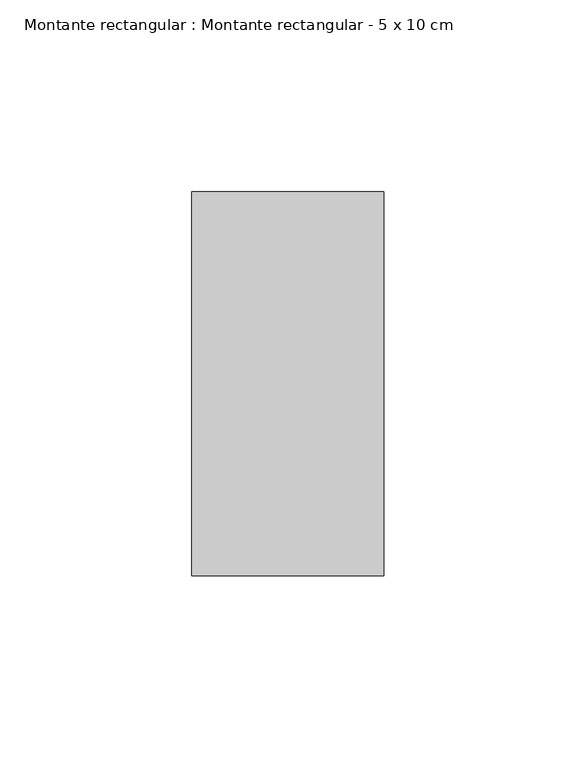
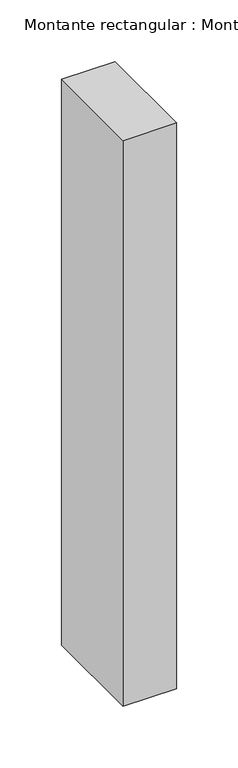
"""IFC4 building model written with IfcOpenShell, lengths in millimetres: member geometry, Montante rectangular : Montante rectangular - 5 x 10 cm."""

import ifcopenshell
import ifcopenshell.guid

model = None  # the IFC model being written
_history = None  # IfcOwnerHistory: only IFC2X3 demands one
_inside = {}  # id of a spatial element -> (the spatial element, [elements in it])
_under = {}  # id of a project, library or spatial element -> (it, [spatial elements below it])
_declared = {}  # id of a project -> (the project, [libraries it declares])
_typed = {}  # id of a type object -> (the type object, [elements of that type])
_made_of = {}  # id of a material, layer set ... -> (it, [elements and type objects made of it])


def new_model(schema):
    """Start an empty IFC model of exactly this schema.

    Asked for "IFC4X3", IfcOpenShell would pick the latest addendum, in which some entities
    have other attributes; the version numbers below select the first issue.
    IFC2X3 requires an IfcOwnerHistory on every rooted entity: one is made here for all.
    """
    global model, _history
    if schema == "IFC4X3":
        model = ifcopenshell.file(schema_version=(4, 3, 0, 0))
    else:
        model = ifcopenshell.file(schema=schema)
    _inside.clear()
    _under.clear()
    _declared.clear()
    _typed.clear()
    _made_of.clear()
    _history = None
    if model.schema == "IFC2X3":
        org = make("IfcOrganization", Name="unknown")
        user = make(
            "IfcPersonAndOrganization",
            ThePerson=make("IfcPerson", FamilyName="unknown"),
            TheOrganization=org,
        )
        app = make(
            "IfcApplication",
            ApplicationDeveloper=org,
            Version="unknown",
            ApplicationFullName="unknown",
            ApplicationIdentifier="unknown",
        )
        _history = make(
            "IfcOwnerHistory",
            OwningUser=user,
            OwningApplication=app,
            ChangeAction="ADDED",
            CreationDate=0,
        )
    return model


def make(cls, **values):
    """One entity of the class cls with the attributes given. An attribute that is None is left unset."""
    return model.create_entity(
        cls, **{name: value for name, value in values.items() if value is not None}
    )


def rooted(cls, **values):
    """An entity with a GlobalId (a new one), such as an element, a storey or a relation."""
    return make(cls, GlobalId=ifcopenshell.guid.new(), OwnerHistory=_history, **values)


def si_unit(unit_type, name, prefix=None):
    """IfcSIUnit, for example si_unit("LENGTHUNIT", "METRE", prefix="MILLI")."""
    return make("IfcSIUnit", UnitType=unit_type, Prefix=prefix, Name=name)


def assignment(units):
    """IfcUnitAssignment: the units of a project."""
    return None if units is None else make("IfcUnitAssignment", Units=units)


def point(xyz):
    """IfcCartesianPoint."""
    return None if xyz is None else make("IfcCartesianPoint", Coordinates=xyz)


def direction(xyz):
    """IfcDirection."""
    return None if xyz is None else make("IfcDirection", DirectionRatios=xyz)


def frame(location, z_axis=None, x_axis=None):
    """IfcAxis2Placement3D, a coordinate frame: its origin and axes. An axis left out is left unset."""
    return make(
        "IfcAxis2Placement3D",
        Location=point(location),
        Axis=direction(z_axis),
        RefDirection=direction(x_axis),
    )


def origin():
    """The frame at (0, 0, 0) with its axes left unset."""
    return frame((0.0, 0.0, 0.0))


def place(relative_to, where):
    """IfcLocalPlacement: puts the frame where relative to a parent placement (None: the world)."""
    return make(
        "IfcLocalPlacement", PlacementRelTo=relative_to, RelativePlacement=where
    )


def context(
    kind, dimensions, precision=None, world=None, true_north=None, identifier=None
):
    """IfcGeometricRepresentationContext, for example the 3D "Model" context."""
    return make(
        "IfcGeometricRepresentationContext",
        ContextIdentifier=identifier,
        ContextType=kind,
        CoordinateSpaceDimension=dimensions,
        Precision=precision,
        WorldCoordinateSystem=world,
        TrueNorth=true_north,
    )


def project(units=None, contexts=None):
    """IfcProject with its units and contexts."""
    return rooted(
        "IfcProject",
        Name="project",
        RepresentationContexts=contexts,
        UnitsInContext=assignment(units),
    )


def spatial(cls, under=None, at=None, **own):
    """A site, building, storey or space (cls), placed at a placement, below another one or the project."""
    s = rooted(cls, ObjectPlacement=at, **own)
    if under is not None:
        _under.setdefault(under.id(), (under, []))[1].append(s)
    return s


def polyline(points):
    """IfcPolyline through the points."""
    return make("IfcPolyline", Points=[point(p) for p in points])


def outline(outer, holes=None, kind="AREA"):
    """IfcArbitraryClosedProfileDef: a profile drawn as a closed curve; with holes, ...WithVoids."""
    if holes is None:
        return make("IfcArbitraryClosedProfileDef", ProfileType=kind, OuterCurve=outer)
    return make(
        "IfcArbitraryProfileDefWithVoids",
        ProfileType=kind,
        OuterCurve=outer,
        InnerCurves=holes,
    )


def extrude(swept, where, along, depth):
    """IfcExtrudedAreaSolid: the profile swept, set in the frame where, extruded along a direction by depth."""
    return make(
        "IfcExtrudedAreaSolid",
        SweptArea=swept,
        Position=where,
        ExtrudedDirection=direction(along),
        Depth=depth,
    )


def shape(context_of_items, identifier, shape_type, items):
    """IfcShapeRepresentation: the items that make up one representation, for example the "Body"."""
    return make(
        "IfcShapeRepresentation",
        ContextOfItems=context_of_items,
        RepresentationIdentifier=identifier,
        RepresentationType=shape_type,
        Items=items,
    )


def source(mapping_origin, context_of_items, identifier, shape_type, items):
    """IfcRepresentationMap: a shape defined once, which mapped items show again and again."""
    return make(
        "IfcRepresentationMap",
        MappingOrigin=mapping_origin,
        MappedRepresentation=shape(context_of_items, identifier, shape_type, items),
    )


def transform(
    local_origin,
    x_axis=None,
    y_axis=None,
    z_axis=None,
    scale=None,
    scale2=None,
    scale3=None,
    uniform=True,
):
    """IfcCartesianTransformationOperator3D, or its non-uniform kind. x_axis, y_axis, z_axis: its Axis1, 2, 3."""
    if uniform:
        return make(
            "IfcCartesianTransformationOperator3D",
            Axis1=direction(x_axis),
            Axis2=direction(y_axis),
            LocalOrigin=point(local_origin),
            Scale=scale,
            Axis3=direction(z_axis),
        )
    return make(
        "IfcCartesianTransformationOperator3DnonUniform",
        Axis1=direction(x_axis),
        Axis2=direction(y_axis),
        LocalOrigin=point(local_origin),
        Scale=scale,
        Axis3=direction(z_axis),
        Scale2=scale2,
        Scale3=scale3,
    )


def mapped(mapping_source, mapping_target):
    """IfcMappedItem: shows the shape of a source again, moved by a transform."""
    return make(
        "IfcMappedItem", MappingSource=mapping_source, MappingTarget=mapping_target
    )


def made_of(thing, what):
    """Note that an element or type object is made of a material, layer set ...; save() writes the relation."""
    if what is not None:
        _made_of.setdefault(what.id(), (what, []))[1].append(thing)
    return thing


def element(
    cls,
    number,
    at=None,
    inside=None,
    cuts=None,
    type_object=None,
    material=None,
    context=None,
    identifier="Body",
    shape_type=None,
    held_by="IfcProductDefinitionShape",
    body=None,
    shapes=None,
    **own,
):
    """One element of the class cls, such as IfcWall. Its Tag is "e" and its number.

    at: its placement. inside: the storey or other place that contains it. cuts: it is an
    opening in that element (IfcRelVoidsElement). A single representation is given by context,
    identifier, shape_type and body (its items); several are given by shapes. held_by: the class
    of the entity that holds the representations. save() writes the other relations.
    """
    e = rooted(cls, Tag="e%d" % number, ObjectPlacement=at, **own)
    if body is not None:
        shapes = [shape(context, identifier, shape_type, body)]
    if shapes is not None:
        e.Representation = make(held_by, Representations=shapes)
    if inside is not None:
        _inside.setdefault(inside.id(), (inside, []))[1].append(e)
    if cuts is not None:
        rooted(
            "IfcRelVoidsElement", RelatingBuildingElement=cuts, RelatedOpeningElement=e
        )
    if type_object is not None:
        _typed.setdefault(type_object.id(), (type_object, []))[1].append(e)
    return made_of(e, material)


def aggregate(whole, parts):
    """IfcRelAggregates: a whole, such as a stair, and the parts it consists of."""
    return rooted("IfcRelAggregates", RelatingObject=whole, RelatedObjects=parts)


def save(model, path):
    """Write the relations noted so far, then the file.

    IfcRelAggregates (storeys below a building ...), IfcRelContainedInSpatialStructure (elements
    in a storey), IfcRelDefinesByType, IfcRelAssociatesMaterial and IfcRelDeclares: one each for
    every whole, place, type object, material and project.
    """
    for whole, parts in _under.values():
        aggregate(whole, parts)
    for where, things in _inside.values():
        rooted(
            "IfcRelContainedInSpatialStructure",
            RelatedElements=things,
            RelatingStructure=where,
        )
    for kind, things in _typed.values():
        rooted("IfcRelDefinesByType", RelatedObjects=things, RelatingType=kind)
    for what, things in _made_of.values():
        rooted("IfcRelAssociatesMaterial", RelatedObjects=things, RelatingMaterial=what)
    for by, libraries in _declared.values():
        rooted("IfcRelDeclares", RelatingContext=by, RelatedDefinitions=libraries)
    model.write(path)


def montante_rectangular_montante_rectangular_5_x_10_cm_c0eb95f5(model_context):
    return source(origin(), model_context, "Body", "SweptSolid", [
        extrude(outline(polyline([(-50.0, 50.0), (0.0, 50.0), (0.0, -50.0), (-50.0, -50.0), (-50.0, 50.0)])), frame((0.0, 0.0, -560.0), z_axis=(0.0, 0.0, 1.0), x_axis=(1.0, 0.0, 0.0)), (0.0, 0.0, 1.0), 560.0),
    ])


if __name__ == "__main__":
    model = new_model("IFC4")
    model_context = context("Model", 3, world=origin())
    ifc_project = project(units=[si_unit("LENGTHUNIT", "METRE", prefix="MILLI")], contexts=[model_context])
    site = spatial("IfcSite", under=ifc_project)
    building = spatial("IfcBuilding", under=site)
    placement = place(None, origin())
    montante_rectangular_montante_rectangular_5_x_10_cm_shape = montante_rectangular_montante_rectangular_5_x_10_cm_c0eb95f5(model_context)
    element("IfcMember", 1, ObjectType="Montante rectangular : Montante rectangular - 5 x 10 cm", at=placement, inside=building, context=model_context, shape_type="MappedRepresentation", body=[
        mapped(montante_rectangular_montante_rectangular_5_x_10_cm_shape, transform((0.0, 0.0, 0.0), x_axis=(1.0, 0.0, 0.0), y_axis=(0.0, 1.0, 0.0), z_axis=(0.0, 0.0, 1.0))),
    ])
    save(model, "model.ifc")
